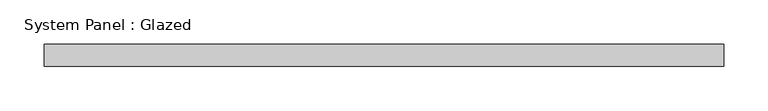
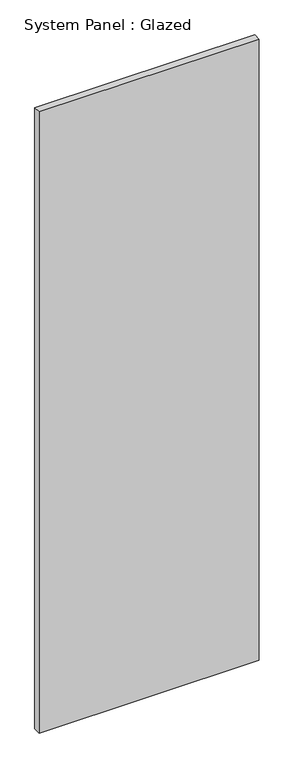
"""IFC4 building model written with IfcOpenShell, lengths in millimetres: plate geometry, System Panel : Glazed."""

from ifc_helpers import new_model, si_unit, origin, origin_with_axes, place, context, project, spatial, polyline, outline, extrude, source, transform, mapped, element, save


def system_panel_glazed_4c9fffe5(model_context):
    return source(origin(), model_context, "Body", "SweptSolid", [
        extrude(outline(polyline([(385.5, 24.5), (-385.5, 24.5), (-385.5, 49.5), (385.5, 49.5), (385.5, 24.5)])), origin_with_axes(), (0.0, 0.0, 1.0), 2300.0),
    ])


if __name__ == "__main__":
    model = new_model("IFC4")
    model_context = context("Model", 3, world=origin())
    ifc_project = project(units=[si_unit("LENGTHUNIT", "METRE", prefix="MILLI")], contexts=[model_context])
    site = spatial("IfcSite", under=ifc_project)
    building = spatial("IfcBuilding", under=site)
    placement = place(None, origin())
    system_panel_glazed_shape = system_panel_glazed_4c9fffe5(model_context)
    element("IfcPlate", 1, ObjectType="System Panel : Glazed", at=placement, inside=building, context=model_context, shape_type="MappedRepresentation", body=[
        mapped(system_panel_glazed_shape, transform((0.0, 0.0, 0.0), x_axis=(1.0, 0.0, 0.0), y_axis=(0.0, 1.0, 0.0), z_axis=(0.0, 0.0, 1.0))),
    ])
    save(model, "model.ifc")
